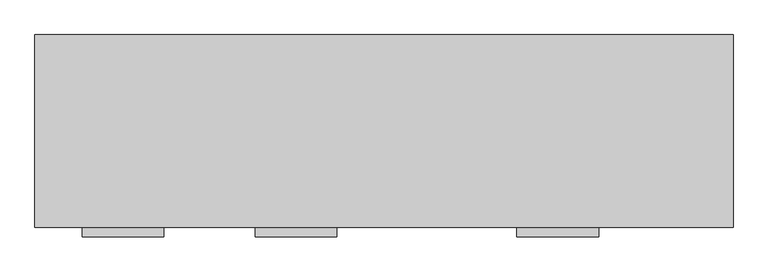
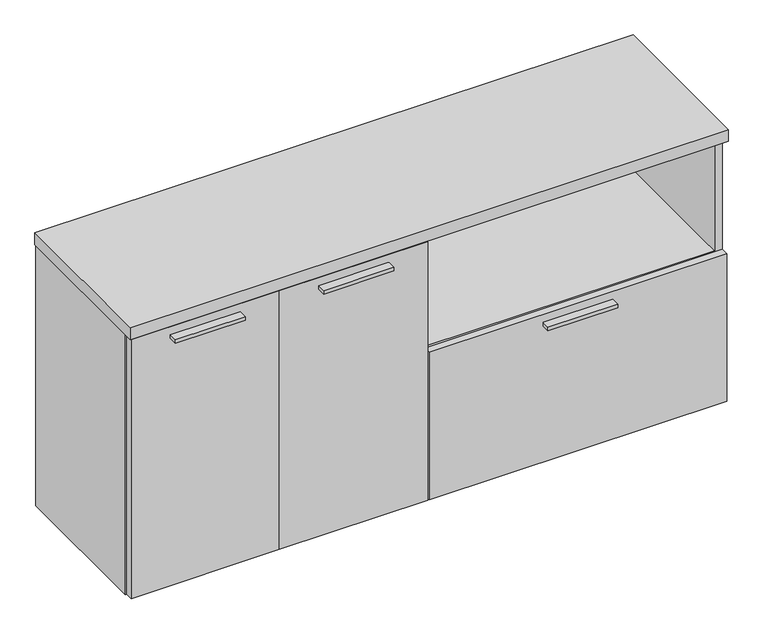
"""IFC4 building model written with IfcOpenShell, lengths in millimetres: furniture geometry."""

from ifc_helpers import new_model, si_unit, point, frame, frame_2d, origin, origin_with_axes, place, context, project, spatial, polyline, circle_curve, trimmed, segment, composite_curve, outline, extrude, source, transform, mapped, element, save


def furniture_3f8f8e47(model_context):
    return source(origin(), model_context, "Body", "SweptSolid", [
        extrude(outline(polyline([(1225.6135, -447.8158592), (1047.8135, -447.8158592), (1047.8135, -425.5908592), (1225.6135, -425.5908592), (1225.6135, -447.8158592)])), frame((0.0, 0.0, 373.51208), z_axis=(0.0, 0.0, 1.0), x_axis=(1.0, 0.0, 0.0)), (0.0, 0.0, 1.0), 9.525),
        extrude(outline(polyline([(280.2255, -447.8158592), (102.4255, -447.8158592), (102.4255, -425.5908592), (280.2255, -425.5908592), (280.2255, -447.8158592)])), frame((0.0, 0.0, 671.5125152), z_axis=(0.0, 0.0, 1.0), x_axis=(1.0, 0.0, 0.0)), (0.0, 0.0, 1.0), 9.525),
        extrude(outline(polyline([(656.5265, -447.8158592), (478.7265, -447.8158592), (478.7265, -425.5908592), (656.5265, -425.5908592), (656.5265, -447.8158592)])), frame((0.0, 0.0, 671.5125152), z_axis=(0.0, 0.0, 1.0), x_axis=(1.0, 0.0, 0.0)), (0.0, 0.0, 1.0), 9.525),
        extrude(outline(composite_curve([segment(trimmed(circle_curve(frame_2d((758.825, -217.6283713)), 4.445), [point((763.27, -217.6283713))], [point((754.38, -217.6283713))], False, "CARTESIAN"), True, "CONTINUOUS"), segment(trimmed(circle_curve(frame_2d((758.825, -217.6283713)), 4.445), [point((754.38, -217.6283713))], [point((763.27, -217.6283713))], False, "CARTESIAN"), True, "CONTINUOUS")], self_intersect=False)), frame((0.0, 0.0, 7.112), z_axis=(0.0, 0.0, 1.0), x_axis=(1.0, 0.0, 0.0)), (0.0, 0.0, 1.0), 2.032),
        extrude(outline(polyline([(764.5122187, -207.7297009), (770.2272187, -217.6283713), (764.5122187, -227.5270417), (753.0822187, -227.5270417), (747.3672187, -217.6283713), (753.0822187, -207.7297009), (764.5122187, -207.7297009)])), origin_with_axes(), (0.0, 0.0, 1.0), 9.144),
        extrude(outline(composite_curve([segment(trimmed(circle_curve(frame_2d((720.598, -246.2033713)), 3.175), [point((720.598, -249.3783713))], [point((717.423, -246.2033713))], False, "CARTESIAN"), True, "CONTINUOUS"), segment(polyline([(717.423, -246.2033713), (717.423, -189.0533713)]), True, "CONTINUOUS"), segment(trimmed(circle_curve(frame_2d((720.598, -189.0533713)), 3.175), [point((717.423, -189.0533713))], [point((720.598, -185.8783713))], False, "CARTESIAN"), True, "CONTINUOUS"), segment(polyline([(720.598, -185.8783713), (797.052, -185.8783713)]), True, "CONTINUOUS"), segment(trimmed(circle_curve(frame_2d((797.052, -189.0533713)), 3.175), [point((797.052, -185.8783713))], [point((800.227, -189.0533713))], False, "CARTESIAN"), True, "CONTINUOUS"), segment(polyline([(800.227, -189.0533713), (800.227, -246.2033713)]), True, "CONTINUOUS"), segment(trimmed(circle_curve(frame_2d((797.052, -246.2033713)), 3.175), [point((800.227, -246.2033713))], [point((797.052, -249.3783713))], False, "CARTESIAN"), True, "CONTINUOUS"), segment(polyline([(797.052, -249.3783713), (720.598, -249.3783713)]), True, "CONTINUOUS")], self_intersect=False)), frame((0.0, 0.0, 58.3692), z_axis=(0.0, 0.0, 1.0), x_axis=(1.0, 0.0, 0.0)), (0.0, 0.0, 1.0), 1.89738),
        extrude(outline(composite_curve([segment(polyline([(770.255, -230.3283713), (747.395, -230.3283713)]), True, "CONTINUOUS"), segment(trimmed(circle_curve(frame_2d((747.395, -229.0583713)), 1.27), [point((747.395, -230.3283713))], [point((746.125, -229.0583713))], False, "CARTESIAN"), True, "CONTINUOUS"), segment(polyline([(746.125, -229.0583713), (746.125, -206.1983713)]), True, "CONTINUOUS"), segment(trimmed(circle_curve(frame_2d((747.395, -206.1983713)), 1.27), [point((746.125, -206.1983713))], [point((747.395, -204.9283713))], False, "CARTESIAN"), True, "CONTINUOUS"), segment(polyline([(747.395, -204.9283713), (770.255, -204.9283713)]), True, "CONTINUOUS"), segment(trimmed(circle_curve(frame_2d((770.255, -206.1983713)), 1.27), [point((770.255, -204.9283713))], [point((771.525, -206.1983713))], False, "CARTESIAN"), True, "CONTINUOUS"), segment(polyline([(771.525, -206.1983713), (771.525, -229.0583713)]), True, "CONTINUOUS"), segment(trimmed(circle_curve(frame_2d((770.255, -229.0583713)), 1.27), [point((771.525, -229.0583713))], [point((770.255, -230.3283713))], False, "CARTESIAN"), True, "CONTINUOUS")], self_intersect=False)), frame((0.0, 0.0, 9.144), z_axis=(0.0, 0.0, 1.0), x_axis=(1.0, 0.0, 0.0)), (0.0, 0.0, 1.0), 49.2252),
        extrude(outline(polyline([(1455.3192022, -345.6355984), (1471.26706, -336.4280984), (1487.2149178, -345.6355984), (1487.2149178, -364.0505984), (1471.26706, -373.2580984), (1455.3192022, -364.0505984), (1455.3192022, -345.6355984)])), origin_with_axes(), (0.0, 0.0, 1.0), 9.144),
        extrude(outline(polyline([(1455.3192022, -47.1181713), (1471.26706, -37.9106713), (1487.2149178, -47.1181713), (1487.2149178, -65.5331713), (1471.26706, -74.7406713), (1455.3192022, -65.5331713), (1455.3192022, -47.1181713)])), origin_with_axes(), (0.0, 0.0, 1.0), 9.144),
        extrude(outline(polyline([(30.4350822, -345.6355984), (46.38294, -336.4280984), (62.3307978, -345.6355984), (62.3307978, -364.0505984), (46.38294, -373.2580984), (30.4350822, -364.0505984), (30.4350822, -345.6355984)])), origin_with_axes(), (0.0, 0.0, 1.0), 9.144),
        extrude(outline(polyline([(30.4350822, -47.1181713), (46.38294, -37.9106713), (62.3307978, -47.1181713), (62.3307978, -65.5331713), (46.38294, -74.7406713), (30.4350822, -65.5331713), (30.4350822, -47.1181713)])), origin_with_axes(), (0.0, 0.0, 1.0), 9.144),
        extrude(outline(polyline([(379.476, -406.2868776), (755.777, -406.2868776), (755.777, -425.5908592), (379.476, -425.5908592), (379.476, -406.2868776)])), frame((0.0, 0.0, 7.874), z_axis=(0.0, 0.0, 1.0), x_axis=(1.0, 0.0, 0.0)), (0.0, 0.0, 1.0), 693.8010152),
        extrude(outline(polyline([(758.952, -406.2868776), (1514.475, -406.2868776), (1514.475, -425.5908592), (758.952, -425.5908592), (758.952, -406.2868776)])), frame((0.0, 0.0, 7.874), z_axis=(0.0, 0.0, 1.0), x_axis=(1.0, 0.0, 0.0)), (0.0, 0.0, 1.0), 395.80058),
        extrude(outline(polyline([(3.175, -406.2868776), (379.476, -406.2868776), (379.476, -425.5908592), (3.175, -425.5908592), (3.175, -406.2868776)])), frame((0.0, 0.0, 7.874), z_axis=(0.0, 0.0, 1.0), x_axis=(1.0, 0.0, 0.0)), (0.0, 0.0, 1.0), 693.8010152),
        extrude(outline(polyline([(1496.7585154, -30.4938704), (1496.7585154, -402.7308447), (20.8915005, -402.7308447), (20.8915005, -30.4938704), (1496.7585154, -30.4938704)])), frame((0.0, 0.0, 685.546), z_axis=(0.0, 0.0, 1.0), x_axis=(1.0, 0.0, 0.0)), (0.0, 0.0, 1.0), 19.304),
        extrude(outline(polyline([(1496.7585154, -11.1898712), (1496.7585154, -30.4938704), (20.8915005, -30.4938704), (20.8915005, -11.1898712), (1496.7585154, -11.1898712)])), frame((0.0, 0.0, 4.699), z_axis=(0.0, 0.0, 1.0), x_axis=(1.0, 0.0, 0.0)), (0.0, 0.0, 1.0), 700.151),
        extrude(outline(polyline([(20.8915005, -9.6658713), (20.8915005, -403.1118534), (1.5875, -403.1118534), (1.5875, -9.6658713), (20.8915005, -9.6658713)])), frame((0.0, 0.0, 4.699), z_axis=(0.0, 0.0, 1.0), x_axis=(1.0, 0.0, 0.0)), (0.0, 0.0, 1.0), 700.151),
        extrude(outline(polyline([(1496.7585154, -9.6658713), (1516.0625158, -9.6658713), (1516.0625158, -403.1118534), (1496.7585154, -403.1118534), (1496.7585154, -9.6658713)])), frame((0.0, 0.0, 4.699), z_axis=(0.0, 0.0, 1.0), x_axis=(1.0, 0.0, 0.0)), (0.0, 0.0, 1.0), 700.151),
        extrude(outline(polyline([(758.952, -30.4938704), (758.952, -401.5878548), (739.648, -401.5878548), (739.648, -30.4938704), (758.952, -30.4938704)])), frame((0.0, 0.0, 79.57058), z_axis=(0.0, 0.0, 1.0), x_axis=(1.0, 0.0, 0.0)), (0.0, 0.0, 1.0), 625.27942),
        extrude(outline(polyline([(398.78, -30.4938704), (398.78, -401.5878548), (379.476, -401.5878548), (379.476, -30.4938704), (398.78, -30.4938704)])), frame((0.0, 0.0, 79.57058), z_axis=(0.0, 0.0, 1.0), x_axis=(1.0, 0.0, 0.0)), (0.0, 0.0, 1.0), 625.27942),
        extrude(outline(polyline([(379.476, -30.4938704), (379.476, -401.5878548), (360.172, -401.5878548), (360.172, -30.4938704), (379.476, -30.4938704)])), frame((0.0, 0.0, 79.57058), z_axis=(0.0, 0.0, 1.0), x_axis=(1.0, 0.0, 0.0)), (0.0, 0.0, 1.0), 625.27942),
        extrude(outline(polyline([(1496.7585154, -401.5878548), (20.8915005, -401.5878548), (20.8915005, -382.2838548), (1496.7585154, -382.2838548), (1496.7585154, -401.5878548)])), frame((0.0, 0.0, 4.699), z_axis=(0.0, 0.0, 1.0), x_axis=(1.0, 0.0, 0.0)), (0.0, 0.0, 1.0), 55.56758),
        extrude(outline(polyline([(778.256, -30.4938704), (778.256, -401.5878548), (758.952, -401.5878548), (758.952, -30.4938704), (778.256, -30.4938704)])), frame((0.0, 0.0, 79.57058), z_axis=(0.0, 0.0, 1.0), x_axis=(1.0, 0.0, 0.0)), (0.0, 0.0, 1.0), 304.8),
        extrude(outline(polyline([(1496.7585, -30.4938704), (1496.7585, -400.8258374), (758.952, -400.8258374), (758.952, -30.4938704), (1496.7585, -30.4938704)])), frame((0.0, 0.0, 384.37058), z_axis=(0.0, 0.0, 1.0), x_axis=(1.0, 0.0, 0.0)), (0.0, 0.0, 1.0), 19.304),
        extrude(outline(polyline([(1517.65, -8.0783713), (1517.65, -427.1783713), (0.0, -427.1783713), (0.0, -8.0783713), (1517.65, -8.0783713)])), frame((0.0, 0.0, 704.8500031), z_axis=(0.0, 0.0, 1.0), x_axis=(1.0, 0.0, 0.0)), (0.0, 0.0, 1.0), 31.7499969),
        extrude(outline(polyline([(1496.7585154, -30.4938704), (1496.7585154, -402.7308447), (20.8915005, -402.7308447), (20.8915005, -30.4938704), (1496.7585154, -30.4938704)])), frame((0.0, 0.0, 60.26658), z_axis=(0.0, 0.0, 1.0), x_axis=(1.0, 0.0, 0.0)), (0.0, 0.0, 1.0), 19.304),
    ])


if __name__ == "__main__":
    model = new_model("IFC4")
    model_context = context("Model", 3, world=origin())
    ifc_project = project(units=[si_unit("LENGTHUNIT", "METRE", prefix="MILLI")], contexts=[model_context])
    site = spatial("IfcSite", under=ifc_project)
    building = spatial("IfcBuilding", under=site)
    placement = place(None, origin())
    furniture_shape = furniture_3f8f8e47(model_context)
    element("IfcFurniture", 1, at=placement, inside=building, context=model_context, shape_type="MappedRepresentation", body=[
        mapped(furniture_shape, transform((0.0, 0.0, 0.0), x_axis=(1.0, 0.0, 0.0), y_axis=(0.0, 1.0, 0.0), z_axis=(0.0, 0.0, 1.0))),
    ])
    save(model, "model.ifc")
